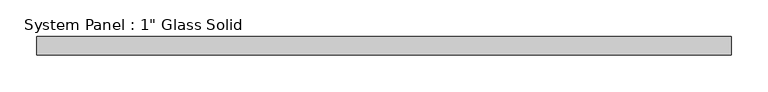
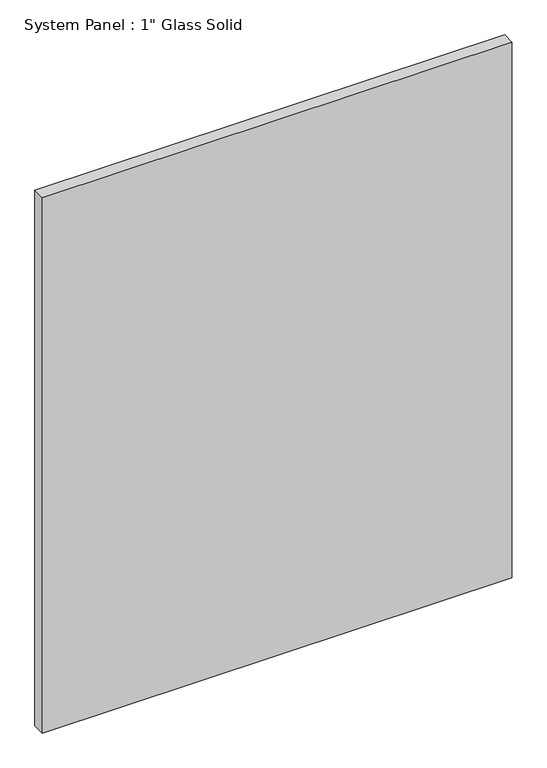
"""IFC4 building model written with IfcOpenShell, lengths in millimetres: plate geometry."""

import ifcopenshell
import ifcopenshell.guid

model = None  # the IFC model being written
_history = None  # IfcOwnerHistory: only IFC2X3 demands one
_inside = {}  # id of a spatial element -> (the spatial element, [elements in it])
_under = {}  # id of a project, library or spatial element -> (it, [spatial elements below it])
_declared = {}  # id of a project -> (the project, [libraries it declares])
_typed = {}  # id of a type object -> (the type object, [elements of that type])
_made_of = {}  # id of a material, layer set ... -> (it, [elements and type objects made of it])


def new_model(schema):
    """Start an empty IFC model of exactly this schema.

    Asked for "IFC4X3", IfcOpenShell would pick the latest addendum, in which some entities
    have other attributes; the version numbers below select the first issue.
    IFC2X3 requires an IfcOwnerHistory on every rooted entity: one is made here for all.
    """
    global model, _history
    if schema == "IFC4X3":
        model = ifcopenshell.file(schema_version=(4, 3, 0, 0))
    else:
        model = ifcopenshell.file(schema=schema)
    _inside.clear()
    _under.clear()
    _declared.clear()
    _typed.clear()
    _made_of.clear()
    _history = None
    if model.schema == "IFC2X3":
        org = make("IfcOrganization", Name="unknown")
        user = make(
            "IfcPersonAndOrganization",
            ThePerson=make("IfcPerson", FamilyName="unknown"),
            TheOrganization=org,
        )
        app = make(
            "IfcApplication",
            ApplicationDeveloper=org,
            Version="unknown",
            ApplicationFullName="unknown",
            ApplicationIdentifier="unknown",
        )
        _history = make(
            "IfcOwnerHistory",
            OwningUser=user,
            OwningApplication=app,
            ChangeAction="ADDED",
            CreationDate=0,
        )
    return model


def make(cls, **values):
    """One entity of the class cls with the attributes given. An attribute that is None is left unset."""
    return model.create_entity(
        cls, **{name: value for name, value in values.items() if value is not None}
    )


def rooted(cls, **values):
    """An entity with a GlobalId (a new one), such as an element, a storey or a relation."""
    return make(cls, GlobalId=ifcopenshell.guid.new(), OwnerHistory=_history, **values)


def si_unit(unit_type, name, prefix=None):
    """IfcSIUnit, for example si_unit("LENGTHUNIT", "METRE", prefix="MILLI")."""
    return make("IfcSIUnit", UnitType=unit_type, Prefix=prefix, Name=name)


def assignment(units):
    """IfcUnitAssignment: the units of a project."""
    return None if units is None else make("IfcUnitAssignment", Units=units)


def point(xyz):
    """IfcCartesianPoint."""
    return None if xyz is None else make("IfcCartesianPoint", Coordinates=xyz)


def direction(xyz):
    """IfcDirection."""
    return None if xyz is None else make("IfcDirection", DirectionRatios=xyz)


def frame(location, z_axis=None, x_axis=None):
    """IfcAxis2Placement3D, a coordinate frame: its origin and axes. An axis left out is left unset."""
    return make(
        "IfcAxis2Placement3D",
        Location=point(location),
        Axis=direction(z_axis),
        RefDirection=direction(x_axis),
    )


def origin():
    """The frame at (0, 0, 0) with its axes left unset."""
    return frame((0.0, 0.0, 0.0))


def origin_with_axes():
    """The frame at (0, 0, 0) with the z axis (0, 0, 1) and the x axis (1, 0, 0) written out."""
    return frame((0.0, 0.0, 0.0), z_axis=(0.0, 0.0, 1.0), x_axis=(1.0, 0.0, 0.0))


def place(relative_to, where):
    """IfcLocalPlacement: puts the frame where relative to a parent placement (None: the world)."""
    return make(
        "IfcLocalPlacement", PlacementRelTo=relative_to, RelativePlacement=where
    )


def context(
    kind, dimensions, precision=None, world=None, true_north=None, identifier=None
):
    """IfcGeometricRepresentationContext, for example the 3D "Model" context."""
    return make(
        "IfcGeometricRepresentationContext",
        ContextIdentifier=identifier,
        ContextType=kind,
        CoordinateSpaceDimension=dimensions,
        Precision=precision,
        WorldCoordinateSystem=world,
        TrueNorth=true_north,
    )


def project(units=None, contexts=None):
    """IfcProject with its units and contexts."""
    return rooted(
        "IfcProject",
        Name="project",
        RepresentationContexts=contexts,
        UnitsInContext=assignment(units),
    )


def spatial(cls, under=None, at=None, **own):
    """A site, building, storey or space (cls), placed at a placement, below another one or the project."""
    s = rooted(cls, ObjectPlacement=at, **own)
    if under is not None:
        _under.setdefault(under.id(), (under, []))[1].append(s)
    return s


def polyline(points):
    """IfcPolyline through the points."""
    return make("IfcPolyline", Points=[point(p) for p in points])


def outline(outer, holes=None, kind="AREA"):
    """IfcArbitraryClosedProfileDef: a profile drawn as a closed curve; with holes, ...WithVoids."""
    if holes is None:
        return make("IfcArbitraryClosedProfileDef", ProfileType=kind, OuterCurve=outer)
    return make(
        "IfcArbitraryProfileDefWithVoids",
        ProfileType=kind,
        OuterCurve=outer,
        InnerCurves=holes,
    )


def extrude(swept, where, along, depth):
    """IfcExtrudedAreaSolid: the profile swept, set in the frame where, extruded along a direction by depth."""
    return make(
        "IfcExtrudedAreaSolid",
        SweptArea=swept,
        Position=where,
        ExtrudedDirection=direction(along),
        Depth=depth,
    )


def shape(context_of_items, identifier, shape_type, items):
    """IfcShapeRepresentation: the items that make up one representation, for example the "Body"."""
    return make(
        "IfcShapeRepresentation",
        ContextOfItems=context_of_items,
        RepresentationIdentifier=identifier,
        RepresentationType=shape_type,
        Items=items,
    )


def source(mapping_origin, context_of_items, identifier, shape_type, items):
    """IfcRepresentationMap: a shape defined once, which mapped items show again and again."""
    return make(
        "IfcRepresentationMap",
        MappingOrigin=mapping_origin,
        MappedRepresentation=shape(context_of_items, identifier, shape_type, items),
    )


def transform(
    local_origin,
    x_axis=None,
    y_axis=None,
    z_axis=None,
    scale=None,
    scale2=None,
    scale3=None,
    uniform=True,
):
    """IfcCartesianTransformationOperator3D, or its non-uniform kind. x_axis, y_axis, z_axis: its Axis1, 2, 3."""
    if uniform:
        return make(
            "IfcCartesianTransformationOperator3D",
            Axis1=direction(x_axis),
            Axis2=direction(y_axis),
            LocalOrigin=point(local_origin),
            Scale=scale,
            Axis3=direction(z_axis),
        )
    return make(
        "IfcCartesianTransformationOperator3DnonUniform",
        Axis1=direction(x_axis),
        Axis2=direction(y_axis),
        LocalOrigin=point(local_origin),
        Scale=scale,
        Axis3=direction(z_axis),
        Scale2=scale2,
        Scale3=scale3,
    )


def mapped(mapping_source, mapping_target):
    """IfcMappedItem: shows the shape of a source again, moved by a transform."""
    return make(
        "IfcMappedItem", MappingSource=mapping_source, MappingTarget=mapping_target
    )


def made_of(thing, what):
    """Note that an element or type object is made of a material, layer set ...; save() writes the relation."""
    if what is not None:
        _made_of.setdefault(what.id(), (what, []))[1].append(thing)
    return thing


def element(
    cls,
    number,
    at=None,
    inside=None,
    cuts=None,
    type_object=None,
    material=None,
    context=None,
    identifier="Body",
    shape_type=None,
    held_by="IfcProductDefinitionShape",
    body=None,
    shapes=None,
    **own,
):
    """One element of the class cls, such as IfcWall. Its Tag is "e" and its number.

    at: its placement. inside: the storey or other place that contains it. cuts: it is an
    opening in that element (IfcRelVoidsElement). A single representation is given by context,
    identifier, shape_type and body (its items); several are given by shapes. held_by: the class
    of the entity that holds the representations. save() writes the other relations.
    """
    e = rooted(cls, Tag="e%d" % number, ObjectPlacement=at, **own)
    if body is not None:
        shapes = [shape(context, identifier, shape_type, body)]
    if shapes is not None:
        e.Representation = make(held_by, Representations=shapes)
    if inside is not None:
        _inside.setdefault(inside.id(), (inside, []))[1].append(e)
    if cuts is not None:
        rooted(
            "IfcRelVoidsElement", RelatingBuildingElement=cuts, RelatedOpeningElement=e
        )
    if type_object is not None:
        _typed.setdefault(type_object.id(), (type_object, []))[1].append(e)
    return made_of(e, material)


def aggregate(whole, parts):
    """IfcRelAggregates: a whole, such as a stair, and the parts it consists of."""
    return rooted("IfcRelAggregates", RelatingObject=whole, RelatedObjects=parts)


def save(model, path):
    """Write the relations noted so far, then the file.

    IfcRelAggregates (storeys below a building ...), IfcRelContainedInSpatialStructure (elements
    in a storey), IfcRelDefinesByType, IfcRelAssociatesMaterial and IfcRelDeclares: one each for
    every whole, place, type object, material and project.
    """
    for whole, parts in _under.values():
        aggregate(whole, parts)
    for where, things in _inside.values():
        rooted(
            "IfcRelContainedInSpatialStructure",
            RelatedElements=things,
            RelatingStructure=where,
        )
    for kind, things in _typed.values():
        rooted("IfcRelDefinesByType", RelatedObjects=things, RelatingType=kind)
    for what, things in _made_of.values():
        rooted("IfcRelAssociatesMaterial", RelatedObjects=things, RelatingMaterial=what)
    for by, libraries in _declared.values():
        rooted("IfcRelDeclares", RelatingContext=by, RelatedDefinitions=libraries)
    model.write(path)


def plate_0eb7778c(model_context):
    return source(origin(), model_context, "Body", "SweptSolid", [
        extrude(outline(polyline([(473.6555865, -12.7), (-473.6555865, -12.7), (-473.6555865, 12.7), (473.6555865, 12.7), (473.6555865, -12.7)])), origin_with_axes(), (0.0, 0.0, 1.0), 1141.8405973),
    ])


if __name__ == "__main__":
    model = new_model("IFC4")
    model_context = context("Model", 3, world=origin())
    ifc_project = project(units=[si_unit("LENGTHUNIT", "METRE", prefix="MILLI")], contexts=[model_context])
    site = spatial("IfcSite", under=ifc_project)
    building = spatial("IfcBuilding", under=site)
    placement = place(None, origin())
    plate_shape = plate_0eb7778c(model_context)
    element("IfcPlate", 1, ObjectType="System Panel : 1\" Glass Solid", at=placement, inside=building, context=model_context, shape_type="MappedRepresentation", body=[
        mapped(plate_shape, transform((0.0, 0.0, 0.0), x_axis=(1.0, 0.0, 0.0), y_axis=(0.0, 1.0, 0.0), z_axis=(0.0, 0.0, 1.0))),
    ])
    save(model, "model.ifc")
